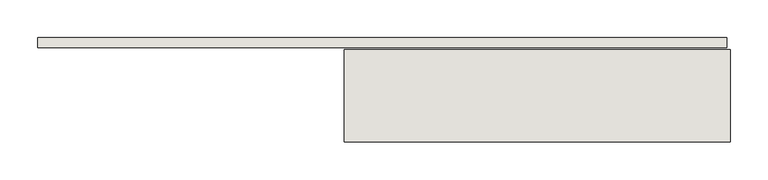
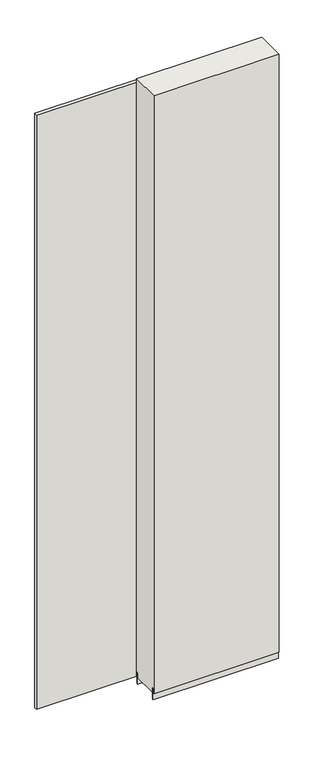
"""IFC4 building model written with IfcOpenShell, lengths in millimetres: wall geometry."""

from ifc_helpers import new_model, si_unit, frame, origin, place, context, project, spatial, polyline, outline, extrude, source, transform, mapped, element, save


def wall_d7c62b63(model_context):
    return source(origin(), model_context, "Body", "SweptSolid", [
        extrude(outline(polyline([(51151.334832, -39389.1814704), (51153.874832, -39389.1814704), (51153.874832, -39391.7214704), (51151.334832, -39391.7214704), (51151.334832, -39389.1814704)])), frame((0.0, 0.0, 4419.6), z_axis=(0.0, 0.0, 1.0), x_axis=(1.0, 0.0, 0.0)), (0.0, 0.0, 1.0), 2.54),
        extrude(outline(polyline([(50242.3448542, -39314.2514704), (51149.4074038, -39314.2514704), (51149.4074038, -39326.9514704), (50242.3448542, -39326.9514704), (50242.3448542, -39314.2514704)])), frame((0.0, 0.0, 4445.0), z_axis=(0.0, 0.0, 1.0), x_axis=(1.0, 0.0, 0.0)), (0.0, 0.0, 1.0), 2545.0498756),
        extrude(outline(polyline([(50645.8729778, -39442.1351364), (51153.8729778, -39442.1351364), (51153.8729778, -39447.2169906), (50645.8729778, -39447.2169906), (50645.8729778, -39442.1351364)])), frame((0.0, 0.0, 4418.6602), z_axis=(0.0, 0.0, 1.0), x_axis=(1.0, 0.0, 0.0)), (0.0, 0.0, 1.0), 47.625),
        extrude(outline(polyline([(50645.8729778, -39442.1351364), (51153.8729778, -39442.1351364), (51153.8729778, -39447.2169906), (50645.8729778, -39447.2169906), (50645.8729778, -39442.1351364)])), frame((0.0, 0.0, 4418.6602), z_axis=(0.0, 0.0, 1.0), x_axis=(1.0, 0.0, 0.0)), (0.0, 0.0, 1.0), 47.625),
        extrude(outline(polyline([(51153.8729778, -39338.758508), (50645.8729778, -39338.758508), (50645.8729778, -39333.6766284), (51153.8729778, -39333.6766284), (51153.8729778, -39338.758508)])), frame((0.0, 0.0, 4418.6602), z_axis=(0.0, 0.0, 1.0), x_axis=(1.0, 0.0, 0.0)), (0.0, 0.0, 1.0), 47.625),
        extrude(outline(polyline([(51153.8729778, -39338.758508), (50645.8729778, -39338.758508), (50645.8729778, -39333.6766284), (51153.8729778, -39333.6766284), (51153.8729778, -39338.758508)])), frame((0.0, 0.0, 4418.6602), z_axis=(0.0, 0.0, 1.0), x_axis=(1.0, 0.0, 0.0)), (0.0, 0.0, 1.0), 47.625),
        extrude(outline(polyline([(50645.8729778, -39451.4058824), (50645.8729778, -39329.4877366), (51153.8729778, -39329.4877366), (51153.8729778, -39451.4058824), (50645.8729778, -39451.4058824)])), frame((0.0, 0.0, 4445.0), z_axis=(0.0, 0.0, 1.0), x_axis=(1.0, 0.0, 0.0)), (0.0, 0.0, 1.0), 2562.4536762),
    ])


if __name__ == "__main__":
    model = new_model("IFC4")
    model_context = context("Model", 3, world=origin())
    ifc_project = project(units=[si_unit("LENGTHUNIT", "METRE", prefix="MILLI")], contexts=[model_context])
    site = spatial("IfcSite", under=ifc_project)
    building = spatial("IfcBuilding", under=site)
    placement = place(None, origin())
    wall_shape = wall_d7c62b63(model_context)
    element("IfcWall", 1, at=placement, inside=building, context=model_context, shape_type="MappedRepresentation", body=[
        mapped(wall_shape, transform((0.0, 0.0, 0.0), x_axis=(1.0, 0.0, 0.0), y_axis=(0.0, 1.0, 0.0), z_axis=(0.0, 0.0, 1.0))),
    ])
    save(model, "model.ifc")
